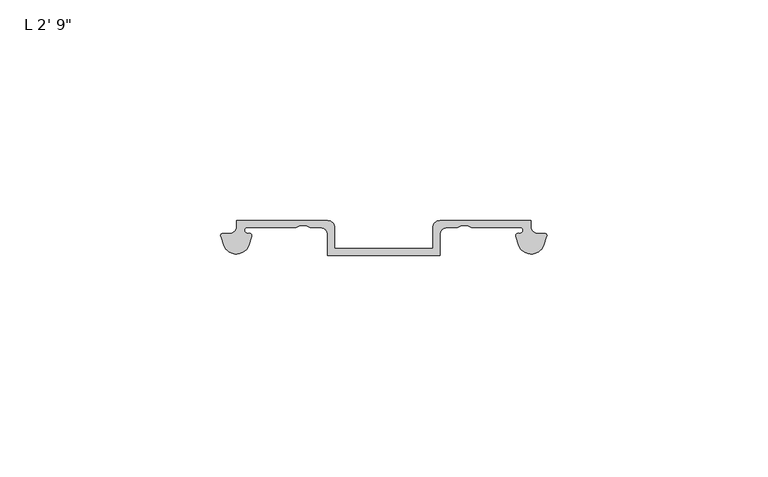
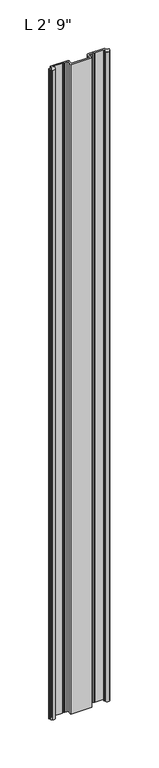
"""IFC4 building model written with IfcOpenShell, lengths in millimetres: proxy geometry."""

from ifc_helpers import new_model, si_unit, point, frame_2d, origin, origin_with_axes, place, context, project, spatial, polyline, circle_curve, trimmed, segment, composite_curve, outline, extrude, source, transform, mapped, element, save


def proxy_ecf18324(model_context):
    return source(origin(), model_context, "Body", "SweptSolid", [
        extrude(outline(composite_curve([segment(trimmed(circle_curve(frame_2d((70.2720899, 3.4356808)), 3.048), [point((73.1816666, 2.5275687))], [point((71.8595899, 0.8337301))], False, "CARTESIAN"), True, "CONTINUOUS"), segment(trimmed(circle_curve(frame_2d((70.2720899, 3.4356808)), 3.048), [point((71.8595899, 0.8337301))], [point((67.3625133, 2.5275687))], False, "CARTESIAN"), True, "CONTINUOUS"), segment(polyline([(67.3625133, 2.5275687), (66.8018542, 4.3239113)]), True, "CONTINUOUS"), segment(trimmed(circle_curve(frame_2d((67.3405556, 4.5120238)), 0.5706009), [point((66.8018542, 4.3239113))], [point((67.4796278, 5.0654173))], False, "CARTESIAN"), True, "CONTINUOUS"), segment(trimmed(circle_curve(frame_2d((67.6653497, 5.8044378)), 0.762), [point((67.4796278, 5.0654173))], [point((68.4270691, 5.8251166))], True, "CARTESIAN"), True, "CONTINUOUS"), segment(trimmed(circle_curve(frame_2d((67.9193497, 5.842)), 0.508), [point((68.4270691, 5.8251166))], [point((67.9193497, 6.35))], True, "CARTESIAN"), True, "CONTINUOUS"), segment(polyline([(67.9193497, 6.35), (56.7317377, 6.35), (55.8143181, 6.8591639), (54.4741573, 6.8591639), (53.5567377, 6.35), (51.1781092, 6.35)]), True, "CONTINUOUS"), segment(trimmed(circle_curve(frame_2d((51.1781092, 4.7625)), 1.5875), [point((51.1781092, 6.35))], [point((49.5906092, 4.7625))], True, "CARTESIAN"), True, "CONTINUOUS"), segment(polyline([(49.5906092, 4.7625), (49.5906092, 0.0), (24.1637653, 0.0), (24.1637653, 4.7625)]), True, "CONTINUOUS"), segment(trimmed(circle_curve(frame_2d((22.5762653, 4.7625)), 1.5875), [point((24.1637653, 4.7625))], [point((22.5762653, 6.35))], True, "CARTESIAN"), True, "CONTINUOUS"), segment(polyline([(22.5762653, 6.35), (20.1976368, 6.35), (19.2802172, 6.8591639), (17.9400565, 6.8591639), (17.0226368, 6.35), (5.8350248, 6.35)]), True, "CONTINUOUS"), segment(trimmed(circle_curve(frame_2d((5.8350248, 5.842)), 0.508), [point((5.8350248, 6.35))], [point((5.3273054, 5.8251166))], True, "CARTESIAN"), True, "CONTINUOUS"), segment(trimmed(circle_curve(frame_2d((6.0890248, 5.8044378)), 0.762), [point((5.3273054, 5.8251166))], [point((6.2747467, 5.0654173))], True, "CARTESIAN"), True, "CONTINUOUS"), segment(trimmed(circle_curve(frame_2d((6.413819, 4.5120238)), 0.5706009), [point((6.2747467, 5.0654173))], [point((6.9525203, 4.3239113))], False, "CARTESIAN"), True, "CONTINUOUS"), segment(polyline([(6.9525203, 4.3239113), (6.3918613, 2.5275687)]), True, "CONTINUOUS"), segment(trimmed(circle_curve(frame_2d((3.4822846, 3.4356808)), 3.048), [point((6.3918613, 2.5275687))], [point((1.8947846, 0.8337301))], False, "CARTESIAN"), True, "CONTINUOUS"), segment(trimmed(circle_curve(frame_2d((3.4822846, 3.4356808)), 3.048), [point((1.8947846, 0.8337301))], [point((0.5727079, 2.5275687))], False, "CARTESIAN"), True, "CONTINUOUS"), segment(polyline([(0.5727079, 2.5275687), (0.0, 4.3625158)]), True, "CONTINUOUS"), segment(trimmed(circle_curve(frame_2d((0.4199147, 4.5728088)), 0.4696291), [point((0.0, 4.3625158))], [point((0.4199147, 5.0424378))], False, "CARTESIAN"), True, "CONTINUOUS"), segment(polyline([(0.4199147, 5.0424378), (1.9615248, 5.0424378)]), True, "CONTINUOUS"), segment(trimmed(circle_curve(frame_2d((1.9615248, 6.6299378)), 1.5875), [point((1.9615248, 5.0424378))], [point((3.5490248, 6.6299378))], True, "CARTESIAN"), True, "CONTINUOUS"), segment(polyline([(3.5490248, 6.6299378), (3.5490248, 7.9375), (24.1865248, 7.9375)]), True, "CONTINUOUS"), segment(trimmed(circle_curve(frame_2d((24.1865248, 6.35)), 1.5875), [point((24.1865248, 7.9375))], [point((25.7740248, 6.35))], False, "CARTESIAN"), True, "CONTINUOUS"), segment(polyline([(25.7740248, 6.35), (25.7740248, 1.5875), (47.9803497, 1.5875), (47.9803497, 6.35)]), True, "CONTINUOUS"), segment(trimmed(circle_curve(frame_2d((49.5678497, 6.35)), 1.5875), [point((47.9803497, 6.35))], [point((49.5678497, 7.9375))], False, "CARTESIAN"), True, "CONTINUOUS"), segment(polyline([(49.5678497, 7.9375), (70.2053497, 7.9375), (70.2053497, 6.6299378)]), True, "CONTINUOUS"), segment(trimmed(circle_curve(frame_2d((71.7928497, 6.6299378)), 1.5875), [point((70.2053497, 6.6299378))], [point((71.7928497, 5.0424378))], True, "CARTESIAN"), True, "CONTINUOUS"), segment(polyline([(71.7928497, 5.0424378), (73.3344599, 5.0424378)]), True, "CONTINUOUS"), segment(trimmed(circle_curve(frame_2d((73.3344599, 4.5728088)), 0.4696291), [point((73.3344599, 5.0424378))], [point((73.7543745, 4.3625158))], False, "CARTESIAN"), True, "CONTINUOUS"), segment(polyline([(73.7543745, 4.3625158), (73.1816666, 2.5275687)]), True, "CONTINUOUS")], self_intersect=False)), origin_with_axes(), (0.0, 0.0, 1.0), 838.2),
    ])


if __name__ == "__main__":
    model = new_model("IFC4")
    model_context = context("Model", 3, world=origin())
    ifc_project = project(units=[si_unit("LENGTHUNIT", "METRE", prefix="MILLI")], contexts=[model_context])
    site = spatial("IfcSite", under=ifc_project)
    building = spatial("IfcBuilding", under=site)
    placement = place(None, origin())
    proxy_shape = proxy_ecf18324(model_context)
    element("IfcBuildingElementProxy", 1, Name="L 2' 9\"", ObjectType="L 2' 9\"", at=placement, inside=building, context=model_context, shape_type="MappedRepresentation", body=[
        mapped(proxy_shape, transform((0.0, 0.0, 0.0), x_axis=(1.0, 0.0, 0.0), y_axis=(0.0, 1.0, 0.0), z_axis=(0.0, 0.0, 1.0))),
    ])
    save(model, "model.ifc")
